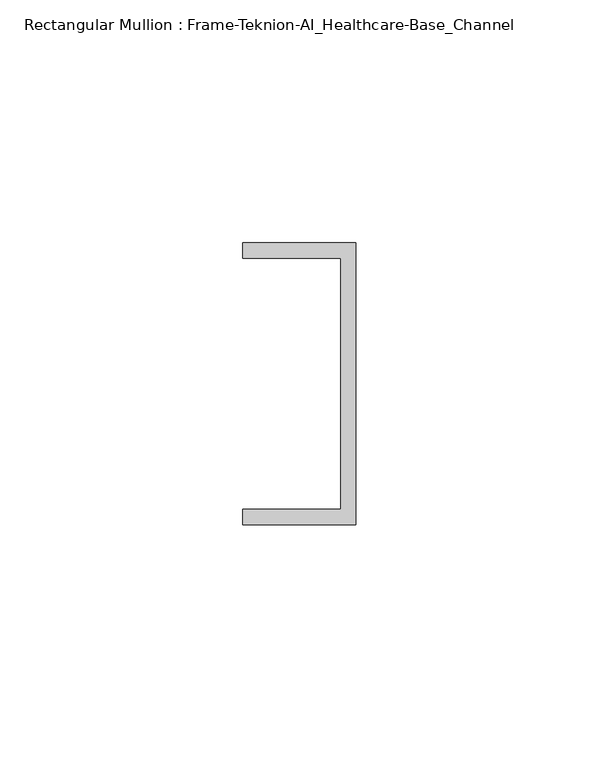
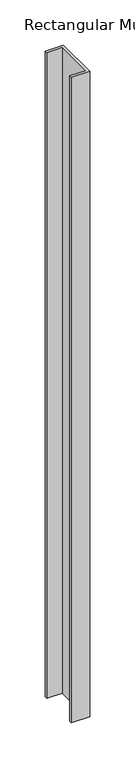
"""IFC4 building model written with IfcOpenShell, lengths in millimetres: member geometry, Rectangular Mullion : Frame-Teknion-AI_Healthcare-Base_Channel."""

from ifc_helpers import new_model, si_unit, frame, origin, place, context, project, spatial, polyline, outline, extrude, source, transform, mapped, element, save


def rectangular_mullion_frame_teknion_ai_healthcare_base_channel_4ffe7fee(model_context):
    return source(origin(), model_context, "Body", "SweptSolid", [
        extrude(outline(polyline([(0.0, 29.0214844), (0.0, -29.0214844), (-23.3164063, -29.0214844), (-23.3164063, -25.8464844), (-3.175, -25.8464844), (-3.175, 25.8464844), (-23.3164063, 25.8464844), (-23.3164063, 29.0214844), (0.0, 29.0214844)])), frame((0.0, 0.0, -872.5780886), z_axis=(0.0, 0.0, 1.0), x_axis=(1.0, 0.0, 0.0)), (0.0, 0.0, 1.0), 872.5780886),
    ])


if __name__ == "__main__":
    model = new_model("IFC4")
    model_context = context("Model", 3, world=origin())
    ifc_project = project(units=[si_unit("LENGTHUNIT", "METRE", prefix="MILLI")], contexts=[model_context])
    site = spatial("IfcSite", under=ifc_project)
    building = spatial("IfcBuilding", under=site)
    placement = place(None, origin())
    rectangular_mullion_frame_teknion_ai_healthcare_base_channel_shape = rectangular_mullion_frame_teknion_ai_healthcare_base_channel_4ffe7fee(model_context)
    element("IfcMember", 1, ObjectType="Rectangular Mullion : Frame-Teknion-AI_Healthcare-Base_Channel", at=placement, inside=building, context=model_context, shape_type="MappedRepresentation", body=[
        mapped(rectangular_mullion_frame_teknion_ai_healthcare_base_channel_shape, transform((0.0, 0.0, 0.0), x_axis=(1.0, 0.0, 0.0), y_axis=(0.0, 1.0, 0.0), z_axis=(0.0, 0.0, 1.0))),
    ])
    save(model, "model.ifc")
